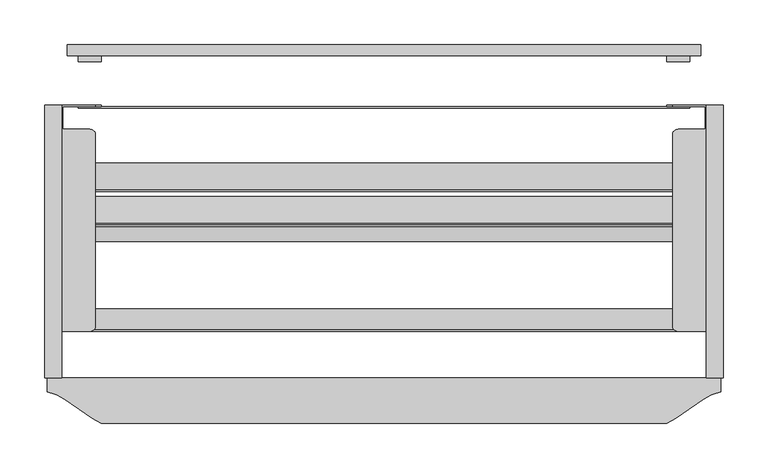
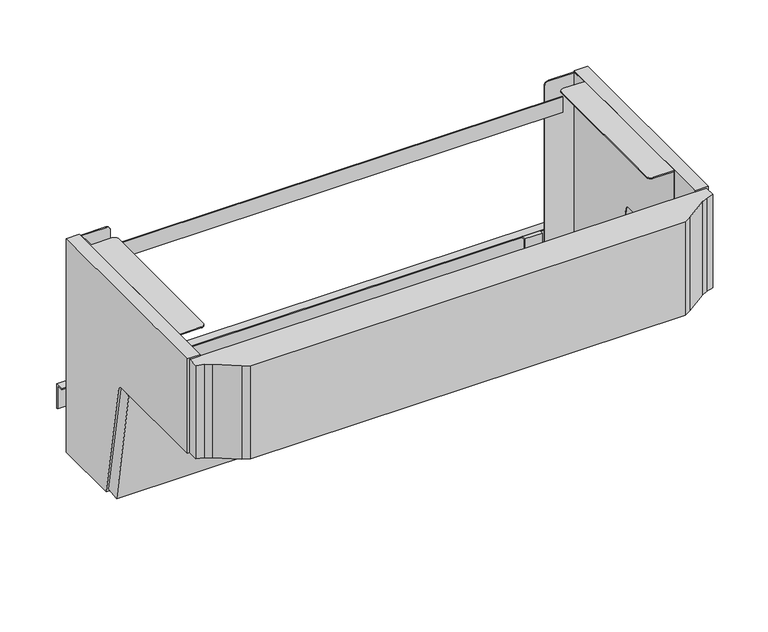
"""IFC4 building model written with IfcOpenShell, lengths in millimetres: furniture geometry."""

import ifcopenshell
import ifcopenshell.guid

model = None  # the IFC model being written
_history = None  # IfcOwnerHistory: only IFC2X3 demands one
_inside = {}  # id of a spatial element -> (the spatial element, [elements in it])
_under = {}  # id of a project, library or spatial element -> (it, [spatial elements below it])
_declared = {}  # id of a project -> (the project, [libraries it declares])
_typed = {}  # id of a type object -> (the type object, [elements of that type])
_made_of = {}  # id of a material, layer set ... -> (it, [elements and type objects made of it])


def new_model(schema):
    """Start an empty IFC model of exactly this schema.

    Asked for "IFC4X3", IfcOpenShell would pick the latest addendum, in which some entities
    have other attributes; the version numbers below select the first issue.
    IFC2X3 requires an IfcOwnerHistory on every rooted entity: one is made here for all.
    """
    global model, _history
    if schema == "IFC4X3":
        model = ifcopenshell.file(schema_version=(4, 3, 0, 0))
    else:
        model = ifcopenshell.file(schema=schema)
    _inside.clear()
    _under.clear()
    _declared.clear()
    _typed.clear()
    _made_of.clear()
    _history = None
    if model.schema == "IFC2X3":
        org = make("IfcOrganization", Name="unknown")
        user = make(
            "IfcPersonAndOrganization",
            ThePerson=make("IfcPerson", FamilyName="unknown"),
            TheOrganization=org,
        )
        app = make(
            "IfcApplication",
            ApplicationDeveloper=org,
            Version="unknown",
            ApplicationFullName="unknown",
            ApplicationIdentifier="unknown",
        )
        _history = make(
            "IfcOwnerHistory",
            OwningUser=user,
            OwningApplication=app,
            ChangeAction="ADDED",
            CreationDate=0,
        )
    return model


def make(cls, **values):
    """One entity of the class cls with the attributes given. An attribute that is None is left unset."""
    return model.create_entity(
        cls, **{name: value for name, value in values.items() if value is not None}
    )


def rooted(cls, **values):
    """An entity with a GlobalId (a new one), such as an element, a storey or a relation."""
    return make(cls, GlobalId=ifcopenshell.guid.new(), OwnerHistory=_history, **values)


def si_unit(unit_type, name, prefix=None):
    """IfcSIUnit, for example si_unit("LENGTHUNIT", "METRE", prefix="MILLI")."""
    return make("IfcSIUnit", UnitType=unit_type, Prefix=prefix, Name=name)


def assignment(units):
    """IfcUnitAssignment: the units of a project."""
    return None if units is None else make("IfcUnitAssignment", Units=units)


def point(xyz):
    """IfcCartesianPoint."""
    return None if xyz is None else make("IfcCartesianPoint", Coordinates=xyz)


def direction(xyz):
    """IfcDirection."""
    return None if xyz is None else make("IfcDirection", DirectionRatios=xyz)


def frame(location, z_axis=None, x_axis=None):
    """IfcAxis2Placement3D, a coordinate frame: its origin and axes. An axis left out is left unset."""
    return make(
        "IfcAxis2Placement3D",
        Location=point(location),
        Axis=direction(z_axis),
        RefDirection=direction(x_axis),
    )


def origin():
    """The frame at (0, 0, 0) with its axes left unset."""
    return frame((0.0, 0.0, 0.0))


def place(relative_to, where):
    """IfcLocalPlacement: puts the frame where relative to a parent placement (None: the world)."""
    return make(
        "IfcLocalPlacement", PlacementRelTo=relative_to, RelativePlacement=where
    )


def context(
    kind, dimensions, precision=None, world=None, true_north=None, identifier=None
):
    """IfcGeometricRepresentationContext, for example the 3D "Model" context."""
    return make(
        "IfcGeometricRepresentationContext",
        ContextIdentifier=identifier,
        ContextType=kind,
        CoordinateSpaceDimension=dimensions,
        Precision=precision,
        WorldCoordinateSystem=world,
        TrueNorth=true_north,
    )


def project(units=None, contexts=None):
    """IfcProject with its units and contexts."""
    return rooted(
        "IfcProject",
        Name="project",
        RepresentationContexts=contexts,
        UnitsInContext=assignment(units),
    )


def spatial(cls, under=None, at=None, **own):
    """A site, building, storey or space (cls), placed at a placement, below another one or the project."""
    s = rooted(cls, ObjectPlacement=at, **own)
    if under is not None:
        _under.setdefault(under.id(), (under, []))[1].append(s)
    return s


def polyline(points):
    """IfcPolyline through the points."""
    return make("IfcPolyline", Points=[point(p) for p in points])


def circle_curve(where, radius):
    """IfcCircle in the frame where."""
    return make("IfcCircle", Position=where, Radius=radius)


def outline(outer, holes=None, kind="AREA"):
    """IfcArbitraryClosedProfileDef: a profile drawn as a closed curve; with holes, ...WithVoids."""
    if holes is None:
        return make("IfcArbitraryClosedProfileDef", ProfileType=kind, OuterCurve=outer)
    return make(
        "IfcArbitraryProfileDefWithVoids",
        ProfileType=kind,
        OuterCurve=outer,
        InnerCurves=holes,
    )


def extrude(swept, where, along, depth):
    """IfcExtrudedAreaSolid: the profile swept, set in the frame where, extruded along a direction by depth."""
    return make(
        "IfcExtrudedAreaSolid",
        SweptArea=swept,
        Position=where,
        ExtrudedDirection=direction(along),
        Depth=depth,
    )


def shape(context_of_items, identifier, shape_type, items):
    """IfcShapeRepresentation: the items that make up one representation, for example the "Body"."""
    return make(
        "IfcShapeRepresentation",
        ContextOfItems=context_of_items,
        RepresentationIdentifier=identifier,
        RepresentationType=shape_type,
        Items=items,
    )


def source(mapping_origin, context_of_items, identifier, shape_type, items):
    """IfcRepresentationMap: a shape defined once, which mapped items show again and again."""
    return make(
        "IfcRepresentationMap",
        MappingOrigin=mapping_origin,
        MappedRepresentation=shape(context_of_items, identifier, shape_type, items),
    )


def transform(
    local_origin,
    x_axis=None,
    y_axis=None,
    z_axis=None,
    scale=None,
    scale2=None,
    scale3=None,
    uniform=True,
):
    """IfcCartesianTransformationOperator3D, or its non-uniform kind. x_axis, y_axis, z_axis: its Axis1, 2, 3."""
    if uniform:
        return make(
            "IfcCartesianTransformationOperator3D",
            Axis1=direction(x_axis),
            Axis2=direction(y_axis),
            LocalOrigin=point(local_origin),
            Scale=scale,
            Axis3=direction(z_axis),
        )
    return make(
        "IfcCartesianTransformationOperator3DnonUniform",
        Axis1=direction(x_axis),
        Axis2=direction(y_axis),
        LocalOrigin=point(local_origin),
        Scale=scale,
        Axis3=direction(z_axis),
        Scale2=scale2,
        Scale3=scale3,
    )


def mapped(mapping_source, mapping_target):
    """IfcMappedItem: shows the shape of a source again, moved by a transform."""
    return make(
        "IfcMappedItem", MappingSource=mapping_source, MappingTarget=mapping_target
    )


def made_of(thing, what):
    """Note that an element or type object is made of a material, layer set ...; save() writes the relation."""
    if what is not None:
        _made_of.setdefault(what.id(), (what, []))[1].append(thing)
    return thing


def element(
    cls,
    number,
    at=None,
    inside=None,
    cuts=None,
    type_object=None,
    material=None,
    context=None,
    identifier="Body",
    shape_type=None,
    held_by="IfcProductDefinitionShape",
    body=None,
    shapes=None,
    **own,
):
    """One element of the class cls, such as IfcWall. Its Tag is "e" and its number.

    at: its placement. inside: the storey or other place that contains it. cuts: it is an
    opening in that element (IfcRelVoidsElement). A single representation is given by context,
    identifier, shape_type and body (its items); several are given by shapes. held_by: the class
    of the entity that holds the representations. save() writes the other relations.
    """
    e = rooted(cls, Tag="e%d" % number, ObjectPlacement=at, **own)
    if body is not None:
        shapes = [shape(context, identifier, shape_type, body)]
    if shapes is not None:
        e.Representation = make(held_by, Representations=shapes)
    if inside is not None:
        _inside.setdefault(inside.id(), (inside, []))[1].append(e)
    if cuts is not None:
        rooted(
            "IfcRelVoidsElement", RelatingBuildingElement=cuts, RelatedOpeningElement=e
        )
    if type_object is not None:
        _typed.setdefault(type_object.id(), (type_object, []))[1].append(e)
    return made_of(e, material)


def aggregate(whole, parts):
    """IfcRelAggregates: a whole, such as a stair, and the parts it consists of."""
    return rooted("IfcRelAggregates", RelatingObject=whole, RelatedObjects=parts)


def save(model, path):
    """Write the relations noted so far, then the file.

    IfcRelAggregates (storeys below a building ...), IfcRelContainedInSpatialStructure (elements
    in a storey), IfcRelDefinesByType, IfcRelAssociatesMaterial and IfcRelDeclares: one each for
    every whole, place, type object, material and project.
    """
    for whole, parts in _under.values():
        aggregate(whole, parts)
    for where, things in _inside.values():
        rooted(
            "IfcRelContainedInSpatialStructure",
            RelatedElements=things,
            RelatingStructure=where,
        )
    for kind, things in _typed.values():
        rooted("IfcRelDefinesByType", RelatedObjects=things, RelatingType=kind)
    for what, things in _made_of.values():
        rooted("IfcRelAssociatesMaterial", RelatedObjects=things, RelatingMaterial=what)
    for by, libraries in _declared.values():
        rooted("IfcRelDeclares", RelatingContext=by, RelatedDefinitions=libraries)
    model.write(path)


def plane_surface(at):
    """IfcPlane: the flat surface through the origin of the frame at, square to its z axis."""
    return make("IfcPlane", Position=at)


def cylinder_surface(at, radius):
    """IfcCylindricalSurface: all points at the distance radius from the z axis of the frame at."""
    return make("IfcCylindricalSurface", Position=at, Radius=radius)


def advanced_brep(points, edges, surfaces, faces):
    """IfcAdvancedBrep: a solid bounded by faces that lie on surfaces and meet in shared edges.

    An edge is (start, end): straight between two places in points (the first is 0);
    or (start, end, curve); or (start, end, curve, False) where it runs against its curve.
    A face is (place in surfaces, loops), or (place, loops, False) where it looks against
    its surface's normal. A loop lists edges by number (the first is 1), with a minus sign
    where the edge is run from its end to its start. The first loop is the outer one.
    """
    corners = [point(p) for p in points]
    vertices = [make("IfcVertexPoint", VertexGeometry=c) for c in corners]
    made = []
    for start, end, *more in edges:
        made.append(
            make(
                "IfcEdgeCurve",
                EdgeStart=vertices[start],
                EdgeEnd=vertices[end],
                EdgeGeometry=more[0] if more else make("IfcPolyline", Points=[corners[start], corners[end]]),
                SameSense=more[1] if len(more) > 1 else True,
            )
        )
    hull = []
    for where, loops, *sense in faces:
        bounds = []
        for j, loop in enumerate(loops):
            ring = [make("IfcOrientedEdge", EdgeElement=made[abs(k) - 1], Orientation=k > 0) for k in loop]
            bounds.append(
                make(
                    "IfcFaceOuterBound" if j == 0 else "IfcFaceBound",
                    Bound=make("IfcEdgeLoop", EdgeList=ring),
                    Orientation=True,
                )
            )
        hull.append(make("IfcAdvancedFace", Bounds=bounds, FaceSurface=surfaces[where], SameSense=sense[0] if sense else True))
    return make("IfcAdvancedBrep", Outer=make("IfcClosedShell", CfsFaces=hull))


def furniture_41117b7b(model_context):
    return source(origin(), model_context, "Body", "SolidModel", [
        extrude(outline(polyline([(-75.2773607, 510.7023617), (-94.5342111, 507.3068569), (-125.839638, 684.8486217), (-110.0534296, 687.6321582), (-107.6683735, 686.7985609), (-105.9045822, 684.3978353), (-75.2773607, 510.7023617)])), frame((-454.025, 0.0, 0.0), z_axis=(1.0, 0.0, 0.0), x_axis=(0.0, 1.0, 0.0)), (0.0, 0.0, 1.0), 755.65),
        extrude(outline(polyline([(-73.7387767, 506.6157), (-105.3188167, 685.633116), (-106.3682076, 687.6777586), (-107.8637014, 689.1058691), (-110.0753033, 690.1281905), (-112.4545213, 690.7657), (-279.4, 690.7657), (-279.4, 836.8157), (26.9875, 836.8157), (26.9875, 506.6157), (-73.7387767, 506.6157)])), frame((-457.2, 0.0, 0.0), z_axis=(1.0, 0.0, 0.0), x_axis=(0.0, 1.0, 0.0)), (0.0, 0.0, 1.0), 19.05),
        extrude(outline(polyline([(-73.7387767, 506.6157), (-105.3188167, 685.633116), (-106.3682076, 687.6777586), (-107.8637014, 689.1058691), (-110.0753033, 690.1281905), (-112.4545213, 690.7657), (-279.4, 690.7657), (-279.4, 836.8157), (26.9875, 836.8157), (26.9875, 506.6157), (-73.7387767, 506.6157)])), frame((285.75, 0.0, 0.0), z_axis=(1.0, 0.0, 0.0), x_axis=(0.0, 1.0, 0.0)), (0.0, 0.0, 1.0), 19.05),
        extrude(outline(polyline([(301.625, -279.4), (301.625, -295.275), (291.2195941, -298.5345031), (281.990588, -303.310665), (251.5105606, -324.6534306), (241.3, -330.2), (-393.7, -330.2), (-403.9105606, -324.6534306), (-434.390588, -303.310665), (-443.6195941, -298.5345031), (-454.025, -295.275), (-454.025, -279.4), (301.625, -279.4)])), frame((0.0, 0.0, 690.7657), z_axis=(0.0, 0.0, 1.0), x_axis=(1.0, 0.0, 0.0)), (0.0, 0.0, 1.0), 144.4625),
        extrude(outline(polyline([(82.55, 562.1782), (95.25, 562.1782), (95.25, 524.7513), (93.3384986, 524.7513), (93.3384986, 560.7038474), (82.55, 560.7038474), (82.55, 562.1782)])), frame((-431.8, 0.0, 0.0), z_axis=(1.0, 0.0, 0.0), x_axis=(0.0, 1.0, 0.0)), (0.0, 0.0, 1.0), 711.2),
        extrude(outline(polyline([(76.2015258, 562.1782), (82.55, 562.1782), (82.55, 560.5907), (77.7890258, 560.5907), (77.7890258, 536.7782), (76.2015258, 536.7782), (76.2015258, 562.1782)])), frame((241.3, 0.0, 0.0), z_axis=(1.0, 0.0, 0.0), x_axis=(0.0, 1.0, 0.0)), (0.0, 0.0, 1.0), 25.4),
        extrude(outline(polyline([(-225.425, 724.1032), (-225.425, 698.7032), (-201.8116256, 698.7032), (-201.8116256, 697.1157), (-227.0125, 697.1157), (-227.0125, 724.1032), (-225.425, 724.1032)])), frame((-436.5625, 0.0, 0.0), z_axis=(1.0, 0.0, 0.0), x_axis=(0.0, 1.0, 0.0)), (0.0, 0.0, 1.0), 720.725),
        extrude(outline(polyline([(-69.85, 509.7907), (-69.85, 536.7782), (-68.2625, 536.7782), (-68.2625, 511.3782), (-38.1, 511.3782), (-38.1, 509.7907), (-69.85, 509.7907)])), frame((-436.5625, 0.0, 0.0), z_axis=(1.0, 0.0, 0.0), x_axis=(0.0, 1.0, 0.0)), (0.0, 0.0, 1.0), 720.725),
        extrude(outline(polyline([(82.55, 560.5907), (77.7890258, 560.5907), (77.7890258, 536.7782), (76.2015258, 536.7782), (76.2015258, 562.1782), (82.55, 562.1782), (82.55, 560.5907)])), frame((-419.1, 0.0, 0.0), z_axis=(1.0, 0.0, 0.0), x_axis=(0.0, 1.0, 0.0)), (0.0, 0.0, 1.0), 25.4),
        advanced_brep(
        [(285.75, -227.0125, 697.1157), (285.75, -176.2125, 697.1157), (285.75, -176.2125, 709.8157), (285.75, -110.307265, 709.8157), (285.75, -106.903095, 707.1991688), (285.75, -105.5407145, 703.5765338), (285.75, -69.85, 509.7907), (285.75, 25.4, 509.7907), (285.75, 25.4, 570.1157), (285.75, 26.9875, 570.1157), (285.75, 26.9875, 835.2282), (285.75, 14.2875, 835.2282), (285.75, 14.2875, 836.8157), (285.75, -227.0125, 836.8157), (284.1625, 25.4, 509.7907), (284.1625, -69.85, 509.7907), (284.1625, -105.5407145, 703.5765338), (284.1625, -106.903095, 707.1991688), (284.1625, -110.307265, 709.8157), (284.1625, -176.2125, 709.8157), (284.1625, -176.2125, 697.1157), (284.1625, -227.0125, 697.1157), (284.1625, -227.0125, 835.2282), (284.1625, 0.0, 835.2282), (284.1625, 0.0, 836.8157), (284.1625, 14.2875, 836.8157), (284.1625, 14.2875, 835.2282), (284.1625, 25.4, 835.2282), (284.1625, 25.4, 570.1157), (254.0, -227.0125, 836.8157), (254.0, -227.0125, 835.2282), (247.65, 26.9875, 835.2282), (247.65, 25.4, 835.2282), (247.65, -220.6625, 836.8157), (254.0, 0.0, 836.8157), (247.65, -6.35, 836.8157), (247.65, -220.6625, 835.2282), (247.65, -6.35, 835.2282), (254.0, 0.0, 835.2282), (247.65, 26.9875, 570.1157), (241.3, 26.9875, 576.4657), (241.3, 26.9875, 828.8782), (241.3, 25.4, 828.8782), (241.3, 25.4, 576.4657), (247.65, 25.4, 570.1157)],
        [
            (0, 1),
            (1, 2),
            (2, 3),
            (3, 4),
            (4, 5),
            (5, 6),
            (6, 7),
            (7, 8),
            (8, 9),
            (9, 10),
            (10, 11),
            (11, 12),
            (12, 13),
            (13, 0),
            (14, 15),
            (15, 16),
            (16, 17),
            (17, 18),
            (18, 19),
            (19, 20),
            (20, 21),
            (21, 22),
            (22, 23),
            (23, 24),
            (24, 25),
            (25, 26),
            (26, 27),
            (27, 28),
            (28, 14),
            (6, 15),
            (14, 7),
            (21, 0),
            (13, 29),
            (29, 30),
            (30, 22),
            (26, 11),
            (10, 31),
            (31, 32),
            (32, 27),
            (28, 8),
            (2, 19),
            (18, 3),
            (1, 20),
            (5, 16),
            (4, 17),
            (33, 29, circle_curve(frame((254.0, -220.6625, 836.8157), z_axis=(0.0, 0.0, 1.0), x_axis=(-1.0, 0.0, 0.0)), 6.35)),
            (12, 25),
            (24, 34),
            (34, 35, circle_curve(frame((254.0, -6.35, 836.8157), z_axis=(0.0, 0.0, 1.0), x_axis=(-1.0, 0.0, 0.0)), 6.35)),
            (35, 33),
            (36, 37),
            (37, 38, circle_curve(frame((254.0, -6.35, 835.2282), z_axis=(0.0, 0.0, -1.0), x_axis=(-1.0, 0.0, 0.0)), 6.35)),
            (38, 23),
            (30, 36, circle_curve(frame((254.0, -220.6625, 835.2282), z_axis=(0.0, 0.0, -1.0), x_axis=(-1.0, 0.0, 0.0)), 6.35)),
            (35, 37),
            (36, 33),
            (38, 34),
            (39, 40, circle_curve(frame((247.65, 26.9875, 576.4657), z_axis=(0.0, 1.0, 0.0), x_axis=(-1.0, 0.0, 0.0)), 6.35)),
            (40, 41),
            (41, 31, circle_curve(frame((247.65, 26.9875, 828.8782), z_axis=(0.0, 1.0, 0.0), x_axis=(-1.0, 0.0, 0.0)), 6.35)),
            (9, 39),
            (32, 42, circle_curve(frame((247.65, 25.4, 828.8782), z_axis=(0.0, -1.0, 0.0), x_axis=(-1.0, 0.0, 0.0)), 6.35)),
            (42, 43),
            (43, 44, circle_curve(frame((247.65, 25.4, 576.4657), z_axis=(0.0, -1.0, 0.0), x_axis=(-1.0, 0.0, 0.0)), 6.35)),
            (44, 28),
            (39, 44),
            (43, 40),
            (42, 41),
        ],
        [
            plane_surface(frame((285.75, 25.4, 509.7907), z_axis=(1.0, 0.0, 0.0), x_axis=(0.0, 0.0, 1.0))),
            plane_surface(frame((284.1625, 25.4, 509.7907), z_axis=(-1.0, 0.0, 0.0), x_axis=(0.0, 0.0, -1.0))),
            plane_surface(frame((285.75, -69.85, 509.7907), z_axis=(0.0, 0.0, -1.0), x_axis=(-1.0, 0.0, 0.0))),
            plane_surface(frame((285.75, -227.0125, 835.2282), z_axis=(0.0, -1.0, 0.0), x_axis=(-1.0, 0.0, 0.0))),
            plane_surface(frame((285.75, 25.4, 835.2282), z_axis=(0.0, 0.0, 1.0), x_axis=(-1.0, 0.0, 0.0))),
            plane_surface(frame((285.75, 25.4, 509.7907), z_axis=(0.0, 1.0, 0.0), x_axis=(-1.0, 0.0, 0.0))),
            plane_surface(frame((285.75, -176.2125, 709.8157), z_axis=(0.0, 0.0, -1.0), x_axis=(-1.0, 0.0, 0.0))),
            plane_surface(frame((285.75, -176.2125, 697.1157), z_axis=(0.0, 1.0, 0.0), x_axis=(-1.0, 0.0, 0.0))),
            plane_surface(frame((285.75, -227.0125, 697.1157), z_axis=(0.0, 0.0, -1.0), x_axis=(-1.0, 0.0, 0.0))),
            plane_surface(frame((285.75, -105.5407145, 703.5765338), z_axis=(0.0, -0.9834592242917098, -0.1811296611699705), x_axis=(-1.0, 0.0, 0.0))),
            plane_surface(frame((285.75, -106.903095, 707.1991688), z_axis=(0.0, -0.9359981229772272, -0.3520049911338014), x_axis=(-1.0, 0.0, 0.0))),
            plane_surface(frame((285.75, -110.307265, 709.8157), z_axis=(0.0, -0.6094091289939922, -0.7928559222827207), x_axis=(-1.0, 0.0, 0.0))),
            plane_surface(frame((247.65, -220.6625, 836.8157), z_axis=(0.0, 0.0, 1.0), x_axis=(0.0, -1.0, 0.0))),
            plane_surface(frame((247.65, -220.6625, 835.2282), z_axis=(0.0, 0.0, -1.0), x_axis=(0.0, 1.0, 0.0))),
            plane_surface(frame((247.65, -6.35, 836.8157), z_axis=(-1.0, 0.0, 0.0), x_axis=(0.0, 0.0, -1.0))),
            plane_surface(frame((284.1625, 0.0, 836.8157), z_axis=(0.0, 1.0, 0.0), x_axis=(0.0, 0.0, -1.0))),
            plane_surface(frame((285.75, 14.2875, 836.8157), z_axis=(0.0, 1.0, 0.0), x_axis=(0.0, 0.0, -1.0))),
            cylinder_surface(frame((254.0, -6.35, 835.2282), z_axis=(0.0, 0.0, 1.0), x_axis=(-1.0, 0.0, 0.0)), 6.35),
            cylinder_surface(frame((254.0, -220.6625, 835.2282), z_axis=(0.0, 0.0, 1.0), x_axis=(-1.0, 0.0, 0.0)), 6.35),
            plane_surface(frame((-438.15, 26.9875, 570.1157), z_axis=(0.0, 1.0, 0.0), x_axis=(-1.0, 0.0, 0.0))),
            plane_surface(frame((-438.15, 25.4, 570.1157), z_axis=(0.0, -1.0, 0.0), x_axis=(1.0, 0.0, 0.0))),
            cylinder_surface(frame((247.65, -330.2, 576.4657), z_axis=(0.0, 1.0, 0.0), x_axis=(-1.0, 0.0, 0.0)), 6.35),
            plane_surface(frame((241.3, 26.9875, 576.4657), z_axis=(-1.0, 0.0, 0.0), x_axis=(0.0, -1.0, 0.0))),
            cylinder_surface(frame((247.65, -330.2, 828.8782), z_axis=(0.0, 1.0, 0.0), x_axis=(-1.0, 0.0, 0.0)), 6.35),
            plane_surface(frame((285.75, 26.9875, 570.1157), z_axis=(0.0, 0.0, -1.0), x_axis=(0.0, -1.0, 0.0))),
        ],
        [
            (0, [[1, 2, 3, 4, 5, 6, 7, 8, 9, 10, 11, 12, 13, 14]]),
            (1, [[15, 16, 17, 18, 19, 20, 21, 22, 23, 24, 25, 26, 27, 28, 29]]),
            (2, [[-7, 30, -15, 31]]),
            (3, [[-22, 32, -14, 33, 34, 35]]),
            (4, [[-27, 36, -11, 37, 38, 39]]),
            (5, [[-31, -29, 40, -8]]),
            (6, [[-3, 41, -19, 42]]),
            (7, [[-2, 43, -20, -41]]),
            (8, [[-1, -32, -21, -43]]),
            (9, [[-6, 44, -16, -30]]),
            (10, [[-5, 45, -17, -44]]),
            (11, [[-4, -42, -18, -45]]),
            (12, [[46, -33, -13, 47, -25, 48, 49, 50]]),
            (13, [[51, 52, 53, -23, -35, 54]]),
            (14, [[-50, 55, -51, 56]]),
            (15, [[-48, -24, -53, 57]]),
            (16, [[-47, -12, -36, -26]]),
            (17, [[-49, -57, -52, -55]]),
            (18, [[-46, -56, -54, -34]]),
            (19, [[58, 59, 60, -37, -10, 61]]),
            (20, [[62, 63, 64, 65, -28, -39]]),
            (21, [[-58, 66, -64, 67]]),
            (22, [[-59, -67, -63, 68]]),
            (23, [[-60, -68, -62, -38]]),
            (24, [[-61, -9, -40, -65, -66]]),
        ],
    ),
        advanced_brep(
        [(-400.05, 26.9875, 570.1157), (-438.15, 26.9875, 570.1157), (-438.15, 26.9875, 835.2282), (-400.05, 26.9875, 835.2282), (-393.7, 26.9875, 828.8782), (-393.7, 26.9875, 576.4657), (-400.05, 25.4, 570.1157), (-393.7, 25.4, 576.4657), (-393.7, 25.4, 828.8782), (-400.05, 25.4, 835.2282), (-436.5625, 25.4, 835.2282), (-436.5625, 25.4, 570.1157), (-438.15, 25.4, 570.1157), (-438.15, 25.4, 509.7907), (-438.15, -69.85, 509.7907), (-438.15, -105.5407145, 703.5765338), (-438.15, -106.903095, 707.1991688), (-438.15, -110.307265, 709.8157), (-438.15, -176.2125, 709.8157), (-438.15, -176.2125, 697.1157), (-438.15, -227.0125, 697.1157), (-438.15, -227.0125, 836.8157), (-438.15, 14.2875, 836.8157), (-438.15, 14.2875, 835.2282), (-436.5625, 14.2875, 835.2282), (-400.05, -220.6625, 836.8157), (-400.05, -6.35, 836.8157), (-406.4, 0.0, 836.8157), (-436.5625, 0.0, 836.8157), (-436.5625, 14.2875, 836.8157), (-406.4, -227.0125, 836.8157), (-400.05, -220.6625, 835.2282), (-406.4, -227.0125, 835.2282), (-436.5625, -227.0125, 835.2282), (-436.5625, 0.0, 835.2282), (-406.4, 0.0, 835.2282), (-400.05, -6.35, 835.2282), (-436.5625, -227.0125, 697.1157), (-436.5625, -176.2125, 697.1157), (-436.5625, -176.2125, 709.8157), (-436.5625, -110.307265, 709.8157), (-436.5625, -106.903095, 707.1991688), (-436.5625, -105.5407145, 703.5765338), (-436.5625, -69.85, 509.7907), (-436.5625, 25.4, 509.7907)],
        [
            (0, 1),
            (1, 2),
            (2, 3),
            (3, 4, circle_curve(frame((-400.05, 26.9875, 828.8782), z_axis=(0.0, 1.0, 0.0), x_axis=(-1.0, 0.0, 0.0)), 6.35)),
            (4, 5),
            (5, 0, circle_curve(frame((-400.05, 26.9875, 576.4657), z_axis=(0.0, 1.0, 0.0), x_axis=(-1.0, 0.0, 0.0)), 6.35)),
            (6, 7, circle_curve(frame((-400.05, 25.4, 576.4657), z_axis=(0.0, -1.0, 0.0), x_axis=(-1.0, 0.0, 0.0)), 6.35)),
            (7, 8),
            (8, 9, circle_curve(frame((-400.05, 25.4, 828.8782), z_axis=(0.0, -1.0, 0.0), x_axis=(-1.0, 0.0, 0.0)), 6.35)),
            (9, 10),
            (10, 11),
            (11, 6),
            (0, 6),
            (11, 12),
            (12, 1),
            (12, 13),
            (13, 14),
            (14, 15),
            (15, 16),
            (16, 17),
            (17, 18),
            (18, 19),
            (19, 20),
            (20, 21),
            (21, 22),
            (22, 23),
            (23, 2),
            (23, 24),
            (24, 10),
            (9, 3),
            (4, 8),
            (7, 5),
            (25, 26),
            (26, 27, circle_curve(frame((-406.4, -6.35, 836.8157), z_axis=(0.0, 0.0, 1.0), x_axis=(-1.0, 0.0, 0.0)), 6.35)),
            (27, 28),
            (28, 29),
            (29, 22),
            (21, 30),
            (30, 25, circle_curve(frame((-406.4, -220.6625, 836.8157), z_axis=(0.0, 0.0, 1.0), x_axis=(-1.0, 0.0, 0.0)), 6.35)),
            (31, 32, circle_curve(frame((-406.4, -220.6625, 835.2282), z_axis=(0.0, 0.0, -1.0), x_axis=(-1.0, 0.0, 0.0)), 6.35)),
            (32, 33),
            (33, 34),
            (34, 35),
            (35, 36, circle_curve(frame((-406.4, -6.35, 835.2282), z_axis=(0.0, 0.0, -1.0), x_axis=(-1.0, 0.0, 0.0)), 6.35)),
            (36, 31),
            (25, 31),
            (36, 26),
            (27, 35),
            (34, 28),
            (33, 37),
            (37, 38),
            (38, 39),
            (39, 40),
            (40, 41),
            (41, 42),
            (42, 43),
            (43, 44),
            (44, 11),
            (24, 29),
            (20, 37),
            (32, 30),
            (13, 44),
            (43, 14),
            (17, 40),
            (39, 18),
            (38, 19),
            (42, 15),
            (41, 16),
        ],
        [
            plane_surface(frame((-438.15, 26.9875, 570.1157), z_axis=(0.0, 1.0, 0.0), x_axis=(-1.0, 0.0, 0.0))),
            plane_surface(frame((-438.15, 25.4, 570.1157), z_axis=(0.0, -1.0, 0.0), x_axis=(1.0, 0.0, 0.0))),
            plane_surface(frame((-400.05, 26.9875, 570.1157), z_axis=(0.0, 0.0, -1.0), x_axis=(0.0, -1.0, 0.0))),
            plane_surface(frame((-438.15, 26.9875, 570.1157), z_axis=(-1.0, 0.0, 0.0), x_axis=(0.0, -1.0, 0.0))),
            plane_surface(frame((-438.15, 26.9875, 835.2282), z_axis=(0.0, 0.0, 1.0), x_axis=(0.0, -1.0, 0.0))),
            plane_surface(frame((-393.7, 26.9875, 828.8782), z_axis=(1.0, 0.0, 0.0), x_axis=(0.0, -1.0, 0.0))),
            cylinder_surface(frame((-400.05, 25.4, 828.8782), z_axis=(0.0, 1.0, 0.0), x_axis=(-1.0, 0.0, 0.0)), 6.35),
            cylinder_surface(frame((-400.05, 25.4, 576.4657), z_axis=(0.0, 1.0, 0.0), x_axis=(-1.0, 0.0, 0.0)), 6.35),
            plane_surface(frame((-400.05, 0.0, 836.8157), z_axis=(0.0, 0.0, 1.0), x_axis=(0.0, 1.0, 0.0))),
            plane_surface(frame((-400.05, 0.0, 835.2282), z_axis=(0.0, 0.0, -1.0), x_axis=(0.0, -1.0, 0.0))),
            plane_surface(frame((-400.05, -220.6625, 836.8157), z_axis=(1.0, 0.0, 0.0), x_axis=(0.0, 0.0, -1.0))),
            plane_surface(frame((-406.4, 0.0, 836.8157), z_axis=(0.0, 1.0, 0.0), x_axis=(0.0, 0.0, -1.0))),
            plane_surface(frame((-436.5625, 0.0, 836.8157), z_axis=(1.0, 0.0, 0.0), x_axis=(0.0, 0.0, -1.0))),
            plane_surface(frame((-436.5625, 14.2875, 836.8157), z_axis=(0.0, 1.0, 0.0), x_axis=(0.0, 0.0, -1.0))),
            plane_surface(frame((-438.15, -227.0125, 836.8157), z_axis=(0.0, -1.0, 0.0), x_axis=(0.0, 0.0, -1.0))),
            cylinder_surface(frame((-406.4, -6.35, 835.2282), z_axis=(0.0, 0.0, 1.0), x_axis=(-1.0, 0.0, 0.0)), 6.35),
            cylinder_surface(frame((-406.4, -220.6625, 835.2282), z_axis=(0.0, 0.0, 1.0), x_axis=(-1.0, 0.0, 0.0)), 6.35),
            plane_surface(frame((-438.15, 25.4, 509.7907), z_axis=(0.0, 0.0, -1.0), x_axis=(1.0, 0.0, 0.0))),
            plane_surface(frame((-438.15, 25.4, 835.2282), z_axis=(0.0, 1.0, 0.0), x_axis=(1.0, 0.0, 0.0))),
            plane_surface(frame((-438.15, -110.307265, 709.8157), z_axis=(0.0, 0.0, -1.0), x_axis=(1.0, 0.0, 0.0))),
            plane_surface(frame((-438.15, -176.2125, 709.8157), z_axis=(0.0, 1.0, 0.0), x_axis=(1.0, 0.0, 0.0))),
            plane_surface(frame((-438.15, -176.2125, 697.1157), z_axis=(0.0, 0.0, -1.0), x_axis=(1.0, 0.0, 0.0))),
            plane_surface(frame((-438.15, -69.85, 509.7907), z_axis=(0.0, -0.9834592242916059, -0.18112966117053508), x_axis=(1.0, 0.0, 0.0))),
            plane_surface(frame((-438.15, -105.5407145, 703.5765338), z_axis=(0.0, -0.9359981229772272, -0.3520049911338014), x_axis=(1.0, 0.0, 0.0))),
            plane_surface(frame((-438.15, -106.903095, 707.1991688), z_axis=(0.0, -0.6094091289977973, -0.7928559222797961), x_axis=(1.0, 0.0, 0.0))),
        ],
        [
            (0, [[1, 2, 3, 4, 5, 6]]),
            (1, [[7, 8, 9, 10, 11, 12]]),
            (2, [[-1, 13, -12, 14, 15]]),
            (3, [[-2, -15, 16, 17, 18, 19, 20, 21, 22, 23, 24, 25, 26, 27]]),
            (4, [[-3, -27, 28, 29, -10, 30]]),
            (5, [[-5, 31, -8, 32]]),
            (6, [[-4, -30, -9, -31]]),
            (7, [[-6, -32, -7, -13]]),
            (8, [[33, 34, 35, 36, 37, -25, 38, 39]]),
            (9, [[40, 41, 42, 43, 44, 45]]),
            (10, [[-33, 46, -45, 47]]),
            (11, [[-35, 48, -43, 49]]),
            (12, [[-36, -49, -42, 50, 51, 52, 53, 54, 55, 56, 57, 58, -11, -29, 59]]),
            (13, [[-37, -59, -28, -26]]),
            (14, [[-38, -24, 60, -50, -41, 61]]),
            (15, [[-34, -47, -44, -48]]),
            (16, [[-39, -61, -40, -46]]),
            (17, [[-17, 62, -57, 63]]),
            (18, [[-62, -16, -14, -58]]),
            (19, [[-21, 64, -53, 65]]),
            (20, [[-22, -65, -52, 66]]),
            (21, [[-23, -66, -51, -60]]),
            (22, [[-18, -63, -56, 67]]),
            (23, [[-19, -67, -55, 68]]),
            (24, [[-20, -68, -54, -64]]),
        ],
    ),
        extrude(outline(polyline([(-419.1, 25.4), (266.7, 25.4), (266.7, 23.8125), (-419.1, 23.8125), (-419.1, 25.4)])), frame((0.0, 0.0, 781.2532), z_axis=(0.0, 0.0, 1.0), x_axis=(1.0, 0.0, 0.0)), (0.0, 0.0, 1.0), 23.8125),
    ])


if __name__ == "__main__":
    model = new_model("IFC4")
    model_context = context("Model", 3, world=origin())
    ifc_project = project(units=[si_unit("LENGTHUNIT", "METRE", prefix="MILLI")], contexts=[model_context])
    site = spatial("IfcSite", under=ifc_project)
    building = spatial("IfcBuilding", under=site)
    placement = place(None, origin())
    furniture_shape = furniture_41117b7b(model_context)
    element("IfcFurniture", 1, at=placement, inside=building, context=model_context, shape_type="MappedRepresentation", body=[
        mapped(furniture_shape, transform((0.0, 0.0, 0.0), x_axis=(1.0, 0.0, 0.0), y_axis=(0.0, 1.0, 0.0), z_axis=(0.0, 0.0, 1.0))),
    ])
    save(model, "model.ifc")
